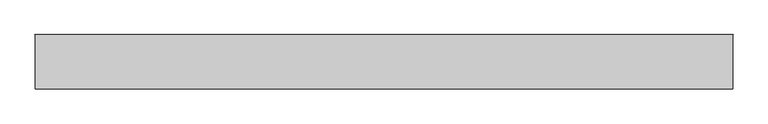
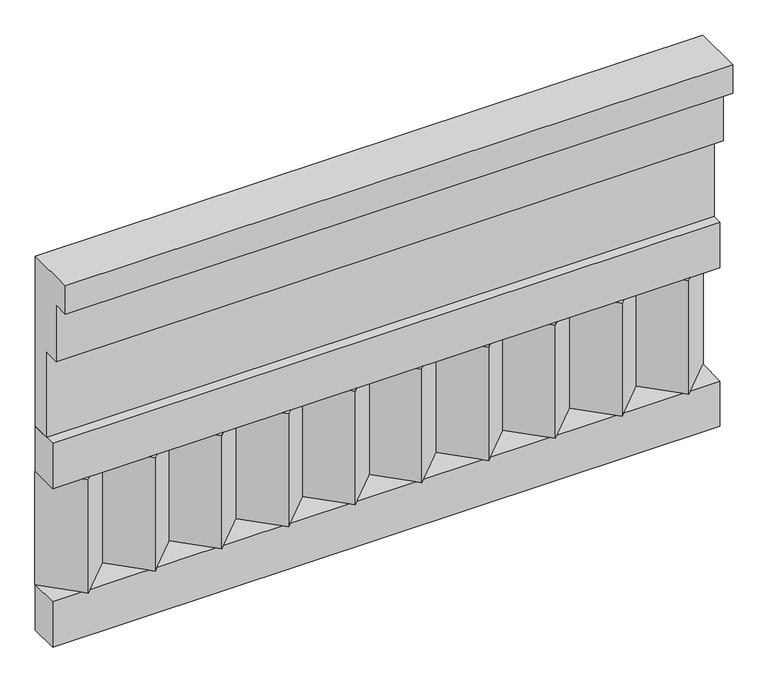
"""IFC4 building model written with IfcOpenShell, lengths in millimetres: railing geometry."""

from ifc_helpers import new_model, si_unit, frame, origin, place, context, project, spatial, polyline, outline, extrude, source, transform, mapped, element, save


def railing_81412d14(model_context):
    return source(origin(), model_context, "Body", "SweptSolid", [
        extrude(outline(polyline([(-16816.8920513, 15205.0), (-16816.8920513, 14755.0), (-16866.8920513, 14755.0), (-16866.8920513, 14980.0), (-16906.8920513, 14980.0), (-16906.8920513, 15130.0), (-16946.8920513, 15130.0), (-16946.8920513, 15205.0), (-16816.8920513, 15205.0)])), frame((-40039.9887159, 0.0, 0.0), z_axis=(1.0, 0.0, 0.0), x_axis=(0.0, 1.0, 0.0)), (0.0, 0.0, 1.0), 1670.0),
        extrude(outline(polyline([(-40039.9887159, -16891.8920513), (-40039.9887159, -16816.8920513), (-38369.9887159, -16816.8920513), (-38369.9887159, -16891.8920513), (-40039.9887159, -16891.8920513)])), frame((0.0, 0.0, 14635.0), z_axis=(0.0, 0.0, 1.0), x_axis=(1.0, 0.0, 0.0)), (0.0, 0.0, 1.0), 120.0),
        extrude(outline(polyline([(-40039.9887159, -16891.8920513), (-40039.9887159, -16816.8920513), (-38369.9887159, -16816.8920513), (-38369.9887159, -16891.8920513), (-40039.9887159, -16891.8920513)])), frame((0.0, 0.0, 14215.0), z_axis=(0.0, 0.0, 1.0), x_axis=(1.0, 0.0, 0.0)), (0.0, 0.0, 1.0), 120.0),
        extrude(outline(polyline([(-38453.4887159, -16901.7448651), (-38538.3415296, -16816.8920513), (-38368.6359022, -16816.8920513), (-38453.4887159, -16901.7448651)])), frame((0.0, 0.0, 14335.0), z_axis=(0.0, 0.0, 1.0), x_axis=(1.0, 0.0, 0.0)), (0.0, 0.0, 1.0), 300.0),
        extrude(outline(polyline([(-38620.4887159, -16901.7448651), (-38705.3415296, -16816.8920513), (-38535.6359022, -16816.8920513), (-38620.4887159, -16901.7448651)])), frame((0.0, 0.0, 14335.0), z_axis=(0.0, 0.0, 1.0), x_axis=(1.0, 0.0, 0.0)), (0.0, 0.0, 1.0), 300.0),
        extrude(outline(polyline([(-38787.4887159, -16901.7448651), (-38872.3415296, -16816.8920513), (-38702.6359022, -16816.8920513), (-38787.4887159, -16901.7448651)])), frame((0.0, 0.0, 14335.0), z_axis=(0.0, 0.0, 1.0), x_axis=(1.0, 0.0, 0.0)), (0.0, 0.0, 1.0), 300.0),
        extrude(outline(polyline([(-38954.4887159, -16901.7448651), (-39039.3415296, -16816.8920513), (-38869.6359022, -16816.8920513), (-38954.4887159, -16901.7448651)])), frame((0.0, 0.0, 14335.0), z_axis=(0.0, 0.0, 1.0), x_axis=(1.0, 0.0, 0.0)), (0.0, 0.0, 1.0), 300.0),
        extrude(outline(polyline([(-39121.4887159, -16901.7448651), (-39206.3415296, -16816.8920513), (-39036.6359022, -16816.8920513), (-39121.4887159, -16901.7448651)])), frame((0.0, 0.0, 14335.0), z_axis=(0.0, 0.0, 1.0), x_axis=(1.0, 0.0, 0.0)), (0.0, 0.0, 1.0), 300.0),
        extrude(outline(polyline([(-39288.4887159, -16901.7448651), (-39373.3415296, -16816.8920513), (-39203.6359022, -16816.8920513), (-39288.4887159, -16901.7448651)])), frame((0.0, 0.0, 14335.0), z_axis=(0.0, 0.0, 1.0), x_axis=(1.0, 0.0, 0.0)), (0.0, 0.0, 1.0), 300.0),
        extrude(outline(polyline([(-39455.4887159, -16901.7448651), (-39540.3415296, -16816.8920513), (-39370.6359022, -16816.8920513), (-39455.4887159, -16901.7448651)])), frame((0.0, 0.0, 14335.0), z_axis=(0.0, 0.0, 1.0), x_axis=(1.0, 0.0, 0.0)), (0.0, 0.0, 1.0), 300.0),
        extrude(outline(polyline([(-39622.4887159, -16901.7448651), (-39707.3415296, -16816.8920513), (-39537.6359022, -16816.8920513), (-39622.4887159, -16901.7448651)])), frame((0.0, 0.0, 14335.0), z_axis=(0.0, 0.0, 1.0), x_axis=(1.0, 0.0, 0.0)), (0.0, 0.0, 1.0), 300.0),
        extrude(outline(polyline([(-39789.4887159, -16901.7448651), (-39874.3415296, -16816.8920513), (-39704.6359022, -16816.8920513), (-39789.4887159, -16901.7448651)])), frame((0.0, 0.0, 14335.0), z_axis=(0.0, 0.0, 1.0), x_axis=(1.0, 0.0, 0.0)), (0.0, 0.0, 1.0), 300.0),
        extrude(outline(polyline([(-39956.4887159, -16901.7448651), (-40041.3415296, -16816.8920513), (-39871.6359022, -16816.8920513), (-39956.4887159, -16901.7448651)])), frame((0.0, 0.0, 14335.0), z_axis=(0.0, 0.0, 1.0), x_axis=(1.0, 0.0, 0.0)), (0.0, 0.0, 1.0), 300.0),
    ])


if __name__ == "__main__":
    model = new_model("IFC4")
    model_context = context("Model", 3, world=origin())
    ifc_project = project(units=[si_unit("LENGTHUNIT", "METRE", prefix="MILLI")], contexts=[model_context])
    site = spatial("IfcSite", under=ifc_project)
    building = spatial("IfcBuilding", under=site)
    placement = place(None, origin())
    railing_shape = railing_81412d14(model_context)
    element("IfcRailing", 1, at=placement, inside=building, context=model_context, shape_type="MappedRepresentation", body=[
        mapped(railing_shape, transform((0.0, 0.0, 0.0), x_axis=(1.0, 0.0, 0.0), y_axis=(0.0, 1.0, 0.0), z_axis=(0.0, 0.0, 1.0))),
    ])
    save(model, "model.ifc")
